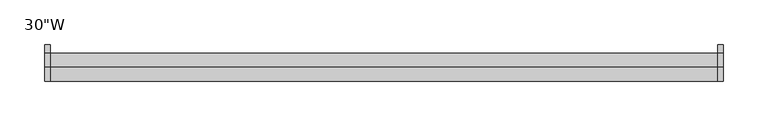
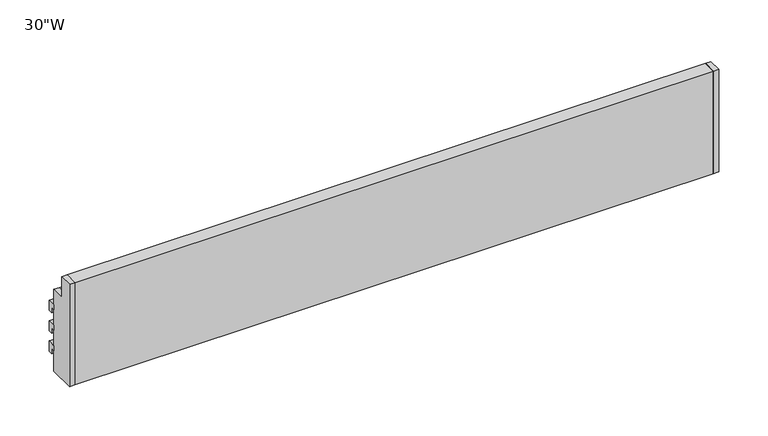
"""IFC4 building model written with IfcOpenShell, lengths in millimetres: furniture geometry."""

from ifc_helpers import new_model, si_unit, frame, origin, place, context, project, spatial, polyline, outline, extrude, source, transform, mapped, element, save


def furniture_4f05433e(model_context):
    return source(origin(), model_context, "Body", "SweptSolid", [
        extrude(outline(polyline([(25.4, 1657.35), (25.4, 1644.65), (20.6375, 1644.65), (20.6375, 1651.0), (15.875, 1651.0), (15.875, 1657.35), (25.4, 1657.35)])), frame((-381.0, 0.0, 0.0), z_axis=(1.0, 0.0, 0.0), x_axis=(0.0, 1.0, 0.0)), (0.0, 0.0, 1.0), 6.35),
        extrude(outline(polyline([(25.4, 1631.95), (25.4, 1619.25), (20.6375, 1619.25), (20.6375, 1625.6), (15.875, 1625.6), (15.875, 1631.95), (25.4, 1631.95)])), frame((-381.0, 0.0, 0.0), z_axis=(1.0, 0.0, 0.0), x_axis=(0.0, 1.0, 0.0)), (0.0, 0.0, 1.0), 6.35),
        extrude(outline(polyline([(25.4, 1606.55), (25.4, 1593.85), (20.6375, 1593.85), (20.6375, 1600.2), (15.875, 1600.2), (15.875, 1606.55), (25.4, 1606.55)])), frame((-381.0, 0.0, 0.0), z_axis=(1.0, 0.0, 0.0), x_axis=(0.0, 1.0, 0.0)), (0.0, 0.0, 1.0), 6.35),
        extrude(outline(polyline([(25.4, 1657.35), (25.4, 1644.65), (20.6375, 1644.65), (20.6375, 1651.0), (15.875, 1651.0), (15.875, 1657.35), (25.4, 1657.35)])), frame((374.65, 0.0, 0.0), z_axis=(1.0, 0.0, 0.0), x_axis=(0.0, 1.0, 0.0)), (0.0, 0.0, 1.0), 6.35),
        extrude(outline(polyline([(25.4, 1631.95), (25.4, 1619.25), (20.6375, 1619.25), (20.6375, 1625.6), (15.875, 1625.6), (15.875, 1631.95), (25.4, 1631.95)])), frame((374.65, 0.0, 0.0), z_axis=(1.0, 0.0, 0.0), x_axis=(0.0, 1.0, 0.0)), (0.0, 0.0, 1.0), 6.35),
        extrude(outline(polyline([(25.4, 1606.55), (25.4, 1593.85), (20.6375, 1593.85), (20.6375, 1600.2), (15.875, 1600.2), (15.875, 1606.55), (25.4, 1606.55)])), frame((374.65, 0.0, 0.0), z_axis=(1.0, 0.0, 0.0), x_axis=(0.0, 1.0, 0.0)), (0.0, 0.0, 1.0), 6.35),
        extrude(outline(polyline([(0.0, 1701.8), (0.0, 1676.4), (15.875, 1676.4), (15.875, 1574.8), (-15.875, 1574.8), (-15.875, 1701.8), (0.0, 1701.8)])), frame((-381.0, 0.0, 0.0), z_axis=(1.0, 0.0, 0.0), x_axis=(0.0, 1.0, 0.0)), (0.0, 0.0, 1.0), 6.35),
        extrude(outline(polyline([(0.0, 1701.8), (0.0, 1676.4), (15.875, 1676.4), (15.875, 1574.8), (-15.875, 1574.8), (-15.875, 1701.8), (0.0, 1701.8)])), frame((374.65, 0.0, 0.0), z_axis=(1.0, 0.0, 0.0), x_axis=(0.0, 1.0, 0.0)), (0.0, 0.0, 1.0), 6.35),
        extrude(outline(polyline([(0.0, 1701.8), (0.0, 1676.4), (15.875, 1676.4), (15.875, 1574.8), (-15.875, 1574.8), (-15.875, 1701.8), (0.0, 1701.8)])), frame((-374.65, 0.0, 0.0), z_axis=(1.0, 0.0, 0.0), x_axis=(0.0, 1.0, 0.0)), (0.0, 0.0, 1.0), 749.3),
    ])


if __name__ == "__main__":
    model = new_model("IFC4")
    model_context = context("Model", 3, world=origin())
    ifc_project = project(units=[si_unit("LENGTHUNIT", "METRE", prefix="MILLI")], contexts=[model_context])
    site = spatial("IfcSite", under=ifc_project)
    building = spatial("IfcBuilding", under=site)
    placement = place(None, origin())
    furniture_shape = furniture_4f05433e(model_context)
    element("IfcFurniture", 1, ObjectType="30\"W", at=placement, inside=building, context=model_context, shape_type="MappedRepresentation", body=[
        mapped(furniture_shape, transform((0.0, 0.0, 0.0), x_axis=(1.0, 0.0, 0.0), y_axis=(0.0, 1.0, 0.0), z_axis=(0.0, 0.0, 1.0))),
    ])
    save(model, "model.ifc")
